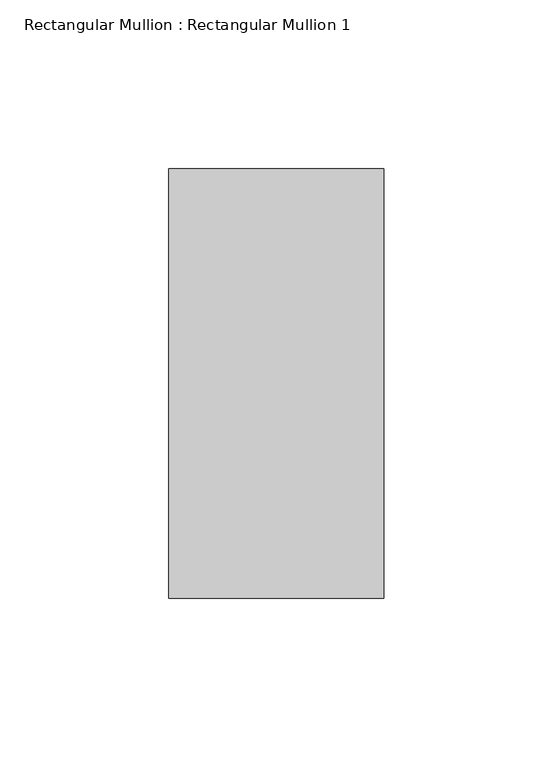
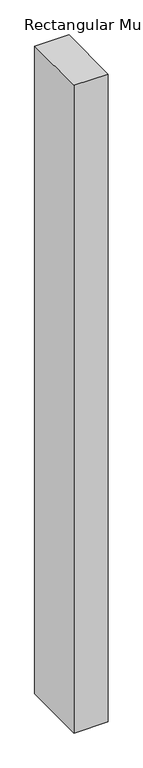
"""IFC4 building model written with IfcOpenShell, lengths in millimetres: member geometry, Rectangular Mullion : Rectangular Mullion 1."""

from ifc_helpers import new_model, si_unit, frame, origin, place, context, project, spatial, polyline, outline, extrude, source, transform, mapped, element, save


def rectangular_mullion_rectangular_mullion_1_7e9da584(model_context):
    return source(origin(), model_context, "Body", "SweptSolid", [
        extrude(outline(polyline([(31.75, 63.5), (31.75, -63.5), (-31.75, -63.5), (-31.75, 63.5), (31.75, 63.5)])), frame((0.0, 0.0, -1273.175), z_axis=(0.0, 0.0, 1.0), x_axis=(1.0, 0.0, 0.0)), (0.0, 0.0, 1.0), 1273.175),
    ])


if __name__ == "__main__":
    model = new_model("IFC4")
    model_context = context("Model", 3, world=origin())
    ifc_project = project(units=[si_unit("LENGTHUNIT", "METRE", prefix="MILLI")], contexts=[model_context])
    site = spatial("IfcSite", under=ifc_project)
    building = spatial("IfcBuilding", under=site)
    placement = place(None, origin())
    rectangular_mullion_rectangular_mullion_1_shape = rectangular_mullion_rectangular_mullion_1_7e9da584(model_context)
    element("IfcMember", 1, ObjectType="Rectangular Mullion : Rectangular Mullion 1", at=placement, inside=building, context=model_context, shape_type="MappedRepresentation", body=[
        mapped(rectangular_mullion_rectangular_mullion_1_shape, transform((0.0, 0.0, 0.0), x_axis=(1.0, 0.0, 0.0), y_axis=(0.0, 1.0, 0.0), z_axis=(0.0, 0.0, 1.0))),
    ])
    save(model, "model.ifc")
